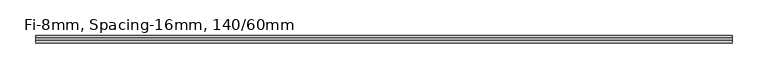
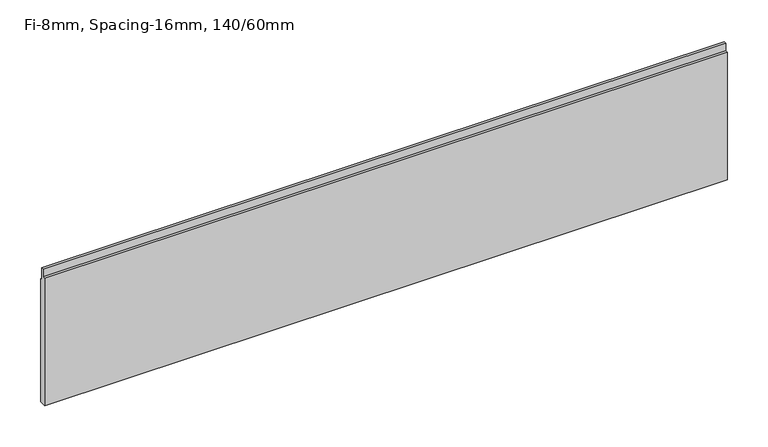
"""IFC4 building model written with IfcOpenShell, lengths in millimetres: plate geometry, Fi-8mm, Spacing-16mm, 140/60mm."""

from ifc_helpers import new_model, si_unit, frame, origin, place, context, project, spatial, polyline, outline, extrude, source, transform, mapped, element, save


def fi_8mm_spacing_16mm_140_60mm_c77d1e59(model_context):
    return source(origin(), model_context, "Body", "SweptSolid", [
        extrude(outline(polyline([(5.0, 0.0), (-5.0, 0.0), (-5.0, 191.3), (-1.0, 191.3), (-1.0, 202.3), (2.0, 202.3), (2.0, 184.3), (5.0, 184.3), (5.0, 0.0)])), frame((-483.4, 0.0, 0.0), z_axis=(1.0, 0.0, 0.0), x_axis=(0.0, 1.0, 0.0)), (0.0, 0.0, 1.0), 966.8),
    ])


if __name__ == "__main__":
    model = new_model("IFC4")
    model_context = context("Model", 3, world=origin())
    ifc_project = project(units=[si_unit("LENGTHUNIT", "METRE", prefix="MILLI")], contexts=[model_context])
    site = spatial("IfcSite", under=ifc_project)
    building = spatial("IfcBuilding", under=site)
    placement = place(None, origin())
    fi_8mm_spacing_16mm_140_60mm_shape = fi_8mm_spacing_16mm_140_60mm_c77d1e59(model_context)
    element("IfcPlate", 1, ObjectType="Fi-8mm, Spacing-16mm, 140/60mm", at=placement, inside=building, context=model_context, shape_type="MappedRepresentation", body=[
        mapped(fi_8mm_spacing_16mm_140_60mm_shape, transform((0.0, 0.0, 0.0), x_axis=(1.0, 0.0, 0.0), y_axis=(0.0, 1.0, 0.0), z_axis=(0.0, 0.0, 1.0))),
    ])
    save(model, "model.ifc")
